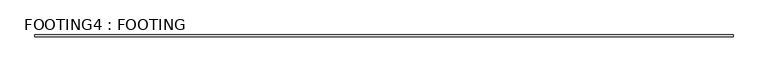
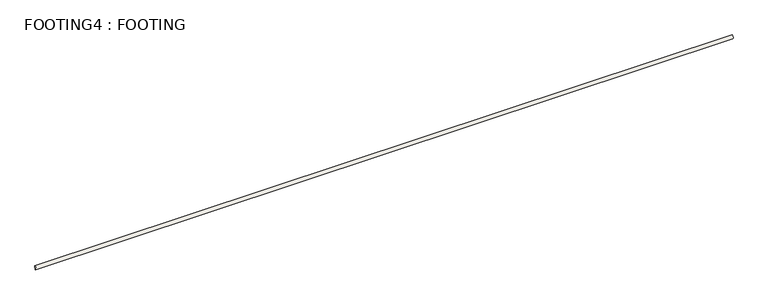
"""IFC4 building model written with IfcOpenShell, lengths in millimetres: wall geometry, FOOTING4 : FOOTING."""

from ifc_helpers import new_model, si_unit, point, frame, frame_2d, origin, place, context, project, spatial, polyline, circle_curve, trimmed, segment, composite_curve, outline, extrude, source, transform, mapped, element, save


def footing4_footing_06d34a45(model_context):
    return source(origin(), model_context, "Body", "SweptSolid", [
        extrude(outline(composite_curve([segment(polyline([(3150.6152891, -19.05), (3150.6152891, -25.4), (3147.4402891, -25.4), (3147.4402891, -30.8992613)]), True, "CONTINUOUS"), segment(trimmed(circle_curve(frame_2d((3151.2958066, -25.5823441)), 6.5676955), [point((3147.4402891, -30.8992613))], [point((3150.6152891, -19.05))], False, "CARTESIAN"), True, "CONTINUOUS")], self_intersect=False)), frame((-1972.1785982, 0.0, 0.0), z_axis=(1.0, 0.0, 0.0), x_axis=(0.0, 1.0, 0.0)), (0.0, 0.0, 1.0), 2374.9),
    ])


if __name__ == "__main__":
    model = new_model("IFC4")
    model_context = context("Model", 3, world=origin())
    ifc_project = project(units=[si_unit("LENGTHUNIT", "METRE", prefix="MILLI")], contexts=[model_context])
    site = spatial("IfcSite", under=ifc_project)
    building = spatial("IfcBuilding", under=site)
    placement = place(None, origin())
    footing4_footing_shape = footing4_footing_06d34a45(model_context)
    element("IfcWall", 1, ObjectType="FOOTING4 : FOOTING", at=placement, inside=building, context=model_context, shape_type="MappedRepresentation", body=[
        mapped(footing4_footing_shape, transform((0.0, 0.0, 0.0), x_axis=(1.0, 0.0, 0.0), y_axis=(0.0, 1.0, 0.0), z_axis=(0.0, 0.0, 1.0))),
    ])
    save(model, "model.ifc")
